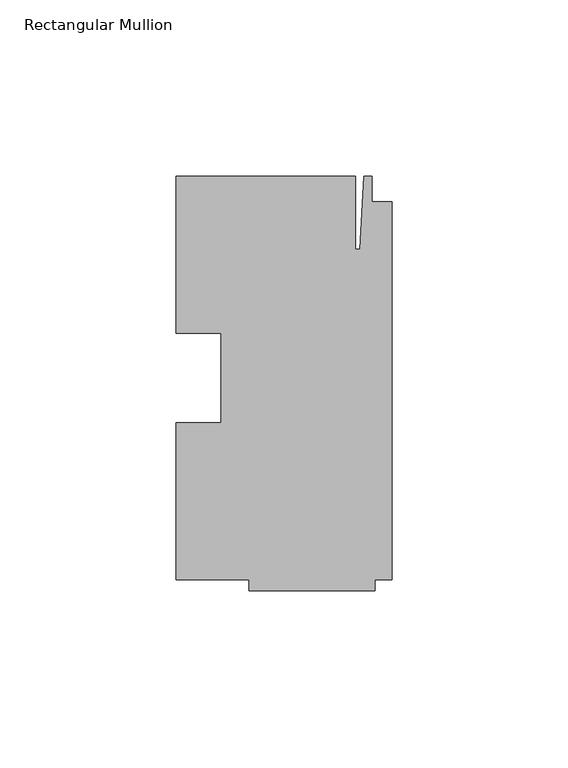
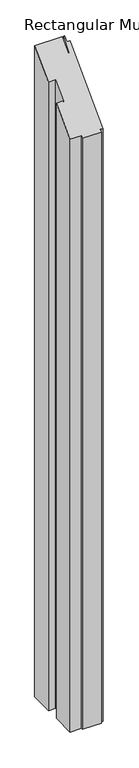
"""IFC4 building model written with IfcOpenShell, lengths in millimetres: member geometry, Rectangular Mullion."""

from ifc_helpers import new_model, si_unit, origin, place, context, project, spatial, faceted_brep, source, transform, mapped, element, save


def rectangular_mullion_b2c4ad81(model_context):
    return source(origin(), model_context, "Body", "Brep", [
        faceted_brep([(-48.41875, -12.7, -1219.2), (-48.41875, 12.7, -1219.2), (-61.11875, 12.7, -1219.2), (-61.11875, 57.15, -1219.2), (-10.31875, 57.15, -1219.2), (-10.31875, 36.5125, -1219.2), (-9.0190655, 36.5125, -1219.2), (-7.9375, 57.15, -1219.2), (-5.55625, 57.15, -1219.2), (-5.55625, 50.00625, -1219.2), (0.0, 50.00625, -1219.2), (0.0, -57.15, -1219.2), (-4.7625, -57.15, -1219.2), (-4.7625, -60.325, -1219.2), (-40.48125, -60.325, -1219.2), (-40.48125, -57.15, -1219.2), (-61.11875, -57.15, -1219.2), (-61.11875, -12.7, -1219.2), (-61.11875, -12.7, -12.7), (-48.41875, -12.7, -12.7), (-61.11875, -57.15, -57.15), (-40.48125, -57.15, -57.15), (-40.48125, -60.325, -60.325), (-4.7625, -60.325, -60.325), (-4.7625, -57.15, -57.15), (0.0, -57.15, -57.15), (0.0, 50.00625, 50.00625), (-5.55625, 50.00625, 50.00625), (-5.55625, 57.15, 57.15), (-7.9375, 57.15, 57.15), (-9.0190655, 36.5125, 36.5125), (-10.31875, 36.5125, 36.5125), (-10.31875, 57.15, 57.15), (-61.11875, 57.15, 57.15), (-61.11875, 12.7, 12.7), (-48.41875, 12.7, 12.7)], [[[0, 1, 2, 3, 4, 5, 6, 7, 8, 9, 10, 11, 12, 13, 14, 15, 16, 17]], [[18, 19, 0, 17]], [[20, 18, 17, 16]], [[21, 20, 16, 15]], [[22, 21, 15, 14]], [[23, 22, 14, 13]], [[24, 23, 13, 12]], [[25, 24, 12, 11]], [[26, 25, 11, 10]], [[27, 26, 10, 9]], [[28, 27, 9, 8]], [[29, 28, 8, 7]], [[30, 29, 7, 6]], [[31, 30, 6, 5]], [[32, 31, 5, 4]], [[33, 32, 4, 3]], [[34, 33, 3, 2]], [[35, 34, 2, 1]], [[19, 35, 1, 0]], [[19, 18, 20, 21, 22, 23, 24, 25, 26, 27, 28, 29, 30, 31, 32, 33, 34, 35]]]),
    ])


if __name__ == "__main__":
    model = new_model("IFC4")
    model_context = context("Model", 3, world=origin())
    ifc_project = project(units=[si_unit("LENGTHUNIT", "METRE", prefix="MILLI")], contexts=[model_context])
    site = spatial("IfcSite", under=ifc_project)
    building = spatial("IfcBuilding", under=site)
    placement = place(None, origin())
    rectangular_mullion_shape = rectangular_mullion_b2c4ad81(model_context)
    element("IfcMember", 1, ObjectType="Rectangular Mullion", at=placement, inside=building, context=model_context, shape_type="MappedRepresentation", body=[
        mapped(rectangular_mullion_shape, transform((0.0, 0.0, 0.0), x_axis=(1.0, 0.0, 0.0), y_axis=(0.0, 1.0, 0.0), z_axis=(0.0, 0.0, 1.0))),
    ])
    save(model, "model.ifc")
